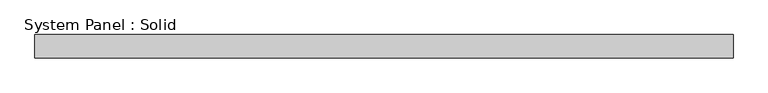
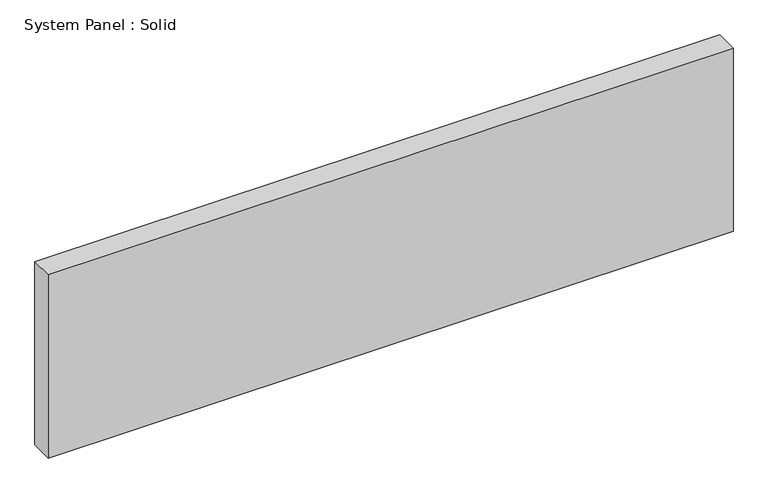
"""IFC4 building model written with IfcOpenShell, lengths in millimetres: plate geometry, System Panel : Solid."""

from ifc_helpers import new_model, si_unit, origin, origin_with_axes, place, context, project, spatial, polyline, outline, extrude, source, transform, mapped, element, save


def system_panel_solid_caf78d35(model_context):
    return source(origin(), model_context, "Body", "SweptSolid", [
        extrude(outline(polyline([(895.5, -10.5), (-895.5, -10.5), (-895.5, 49.5), (895.5, 49.5), (895.5, -10.5)])), origin_with_axes(), (0.0, 0.0, 1.0), 506.2568418),
    ])


if __name__ == "__main__":
    model = new_model("IFC4")
    model_context = context("Model", 3, world=origin())
    ifc_project = project(units=[si_unit("LENGTHUNIT", "METRE", prefix="MILLI")], contexts=[model_context])
    site = spatial("IfcSite", under=ifc_project)
    building = spatial("IfcBuilding", under=site)
    placement = place(None, origin())
    system_panel_solid_shape = system_panel_solid_caf78d35(model_context)
    element("IfcPlate", 1, ObjectType="System Panel : Solid", at=placement, inside=building, context=model_context, shape_type="MappedRepresentation", body=[
        mapped(system_panel_solid_shape, transform((0.0, 0.0, 0.0), x_axis=(1.0, 0.0, 0.0), y_axis=(0.0, 1.0, 0.0), z_axis=(0.0, 0.0, 1.0))),
    ])
    save(model, "model.ifc")
